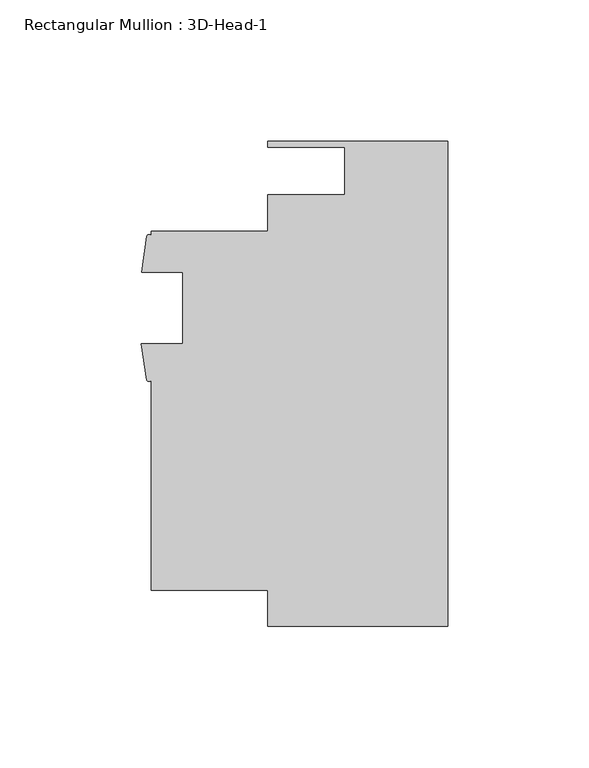
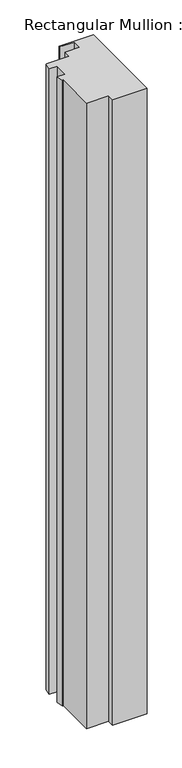
"""IFC4 building model written with IfcOpenShell, lengths in millimetres: member geometry, Rectangular Mullion : 3D-Head-1."""

from ifc_helpers import new_model, si_unit, point, frame, frame_2d, origin, place, context, project, spatial, polyline, circle_curve, trimmed, segment, composite_curve, outline, extrude, source, transform, mapped, element, save


def rectangular_mullion_3d_head_1_2bf21f53(model_context):
    return source(origin(), model_context, "Body", "SweptSolid", [
        extrude(outline(composite_curve([segment(polyline([(0.0, -85.7249999), (-63.5322656, -85.7249999), (-63.5322656, -73.023969), (-104.7749997, -73.023969), (-104.7749997, 1.2994531)]), True, "CONTINUOUS"), segment(trimmed(circle_curve(frame_2d((-105.6067019, 1.8328959)), 0.9880737), [point((-104.7749997, 1.2994531))], [point((-106.4384041, 1.2994531))], False, "CARTESIAN"), True, "CONTINUOUS"), segment(polyline([(-106.4384041, 1.2994531), (-108.2945214, 14.0725059), (-93.6624997, 14.0725059), (-93.6624997, 39.4725059), (-108.1709997, 39.4725059), (-106.3608959, 52.2437935)]), True, "CONTINUOUS"), segment(trimmed(circle_curve(frame_2d((-105.5679478, 51.826203)), 0.8961856), [point((-106.3608959, 52.2437935))], [point((-104.7749997, 52.2437935))], False, "CARTESIAN"), True, "CONTINUOUS"), segment(polyline([(-104.7749997, 52.2437935), (-104.7749997, 53.976031), (-63.4999996, 53.976031), (-63.4999996, 66.7923427), (-36.3401991, 66.7923427), (-36.3401991, 83.6929999), (-63.4999996, 83.6929999), (-63.4999996, 85.7249999), (0.0, 85.7249999), (0.0, -85.7249999)]), True, "CONTINUOUS")], self_intersect=False)), frame((0.0, 0.0, -1219.2), z_axis=(0.0, 0.0, 1.0), x_axis=(1.0, 0.0, 0.0)), (0.0, 0.0, 1.0), 1219.2),
    ])


if __name__ == "__main__":
    model = new_model("IFC4")
    model_context = context("Model", 3, world=origin())
    ifc_project = project(units=[si_unit("LENGTHUNIT", "METRE", prefix="MILLI")], contexts=[model_context])
    site = spatial("IfcSite", under=ifc_project)
    building = spatial("IfcBuilding", under=site)
    placement = place(None, origin())
    rectangular_mullion_3d_head_1_shape = rectangular_mullion_3d_head_1_2bf21f53(model_context)
    element("IfcMember", 1, ObjectType="Rectangular Mullion : 3D-Head-1", at=placement, inside=building, context=model_context, shape_type="MappedRepresentation", body=[
        mapped(rectangular_mullion_3d_head_1_shape, transform((0.0, 0.0, 0.0), x_axis=(1.0, 0.0, 0.0), y_axis=(0.0, 1.0, 0.0), z_axis=(0.0, 0.0, 1.0))),
    ])
    save(model, "model.ifc")
